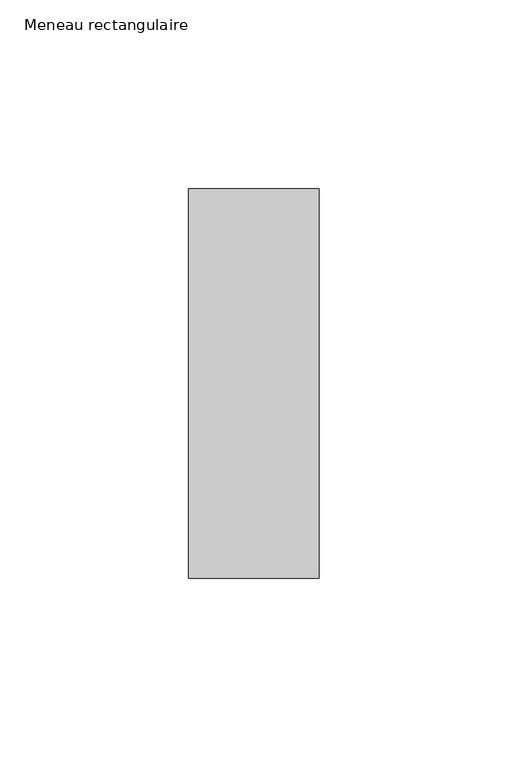
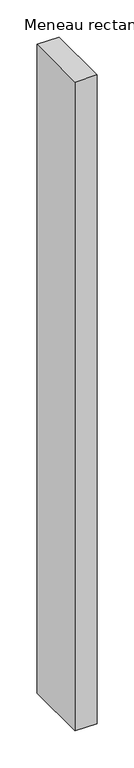
"""IFC4 building model written with IfcOpenShell, lengths in millimetres: member geometry, Meneau rectangulaire."""

from ifc_helpers import new_model, si_unit, frame, origin, place, context, project, spatial, polyline, outline, extrude, source, transform, mapped, element, save


def meneau_rectangulaire_0aadda11(model_context):
    return source(origin(), model_context, "Body", "SweptSolid", [
        extrude(outline(polyline([(-34.5, 51.5), (0.0, 51.5), (0.0, -51.5), (-34.5, -51.5), (-34.5, 51.5)])), frame((0.0, 0.0, -1068.1330689), z_axis=(0.0, 0.0, 1.0), x_axis=(1.0, 0.0, 0.0)), (0.0, 0.0, 1.0), 1068.1330689),
    ])


if __name__ == "__main__":
    model = new_model("IFC4")
    model_context = context("Model", 3, world=origin())
    ifc_project = project(units=[si_unit("LENGTHUNIT", "METRE", prefix="MILLI")], contexts=[model_context])
    site = spatial("IfcSite", under=ifc_project)
    building = spatial("IfcBuilding", under=site)
    placement = place(None, origin())
    meneau_rectangulaire_shape = meneau_rectangulaire_0aadda11(model_context)
    element("IfcMember", 1, ObjectType="Meneau rectangulaire", at=placement, inside=building, context=model_context, shape_type="MappedRepresentation", body=[
        mapped(meneau_rectangulaire_shape, transform((0.0, 0.0, 0.0), x_axis=(1.0, 0.0, 0.0), y_axis=(0.0, 1.0, 0.0), z_axis=(0.0, 0.0, 1.0))),
    ])
    save(model, "model.ifc")
